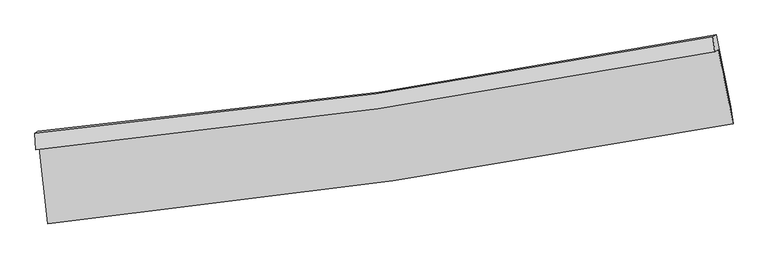
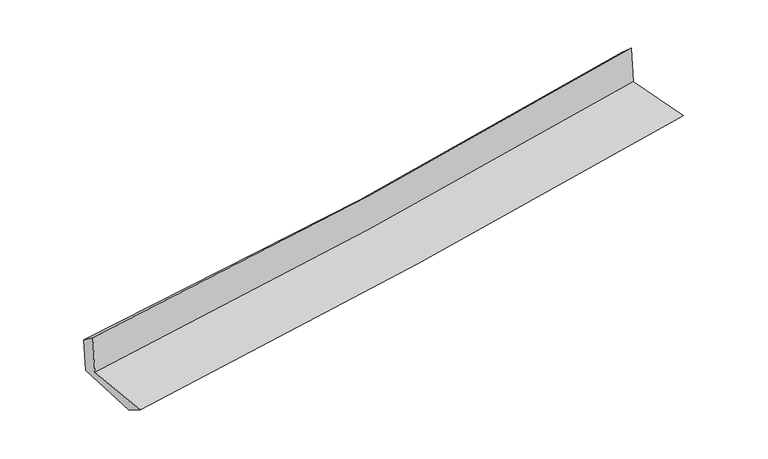
"""IFC4 building model written with IfcOpenShell, lengths in millimetres: proxy geometry."""

import ifcopenshell
import ifcopenshell.guid

model = None  # the IFC model being written
_history = None  # IfcOwnerHistory: only IFC2X3 demands one
_inside = {}  # id of a spatial element -> (the spatial element, [elements in it])
_under = {}  # id of a project, library or spatial element -> (it, [spatial elements below it])
_declared = {}  # id of a project -> (the project, [libraries it declares])
_typed = {}  # id of a type object -> (the type object, [elements of that type])
_made_of = {}  # id of a material, layer set ... -> (it, [elements and type objects made of it])


def new_model(schema):
    """Start an empty IFC model of exactly this schema.

    Asked for "IFC4X3", IfcOpenShell would pick the latest addendum, in which some entities
    have other attributes; the version numbers below select the first issue.
    IFC2X3 requires an IfcOwnerHistory on every rooted entity: one is made here for all.
    """
    global model, _history
    if schema == "IFC4X3":
        model = ifcopenshell.file(schema_version=(4, 3, 0, 0))
    else:
        model = ifcopenshell.file(schema=schema)
    _inside.clear()
    _under.clear()
    _declared.clear()
    _typed.clear()
    _made_of.clear()
    _history = None
    if model.schema == "IFC2X3":
        org = make("IfcOrganization", Name="unknown")
        user = make(
            "IfcPersonAndOrganization",
            ThePerson=make("IfcPerson", FamilyName="unknown"),
            TheOrganization=org,
        )
        app = make(
            "IfcApplication",
            ApplicationDeveloper=org,
            Version="unknown",
            ApplicationFullName="unknown",
            ApplicationIdentifier="unknown",
        )
        _history = make(
            "IfcOwnerHistory",
            OwningUser=user,
            OwningApplication=app,
            ChangeAction="ADDED",
            CreationDate=0,
        )
    return model


def make(cls, **values):
    """One entity of the class cls with the attributes given. An attribute that is None is left unset."""
    return model.create_entity(
        cls, **{name: value for name, value in values.items() if value is not None}
    )


def rooted(cls, **values):
    """An entity with a GlobalId (a new one), such as an element, a storey or a relation."""
    return make(cls, GlobalId=ifcopenshell.guid.new(), OwnerHistory=_history, **values)


def si_unit(unit_type, name, prefix=None):
    """IfcSIUnit, for example si_unit("LENGTHUNIT", "METRE", prefix="MILLI")."""
    return make("IfcSIUnit", UnitType=unit_type, Prefix=prefix, Name=name)


def assignment(units):
    """IfcUnitAssignment: the units of a project."""
    return None if units is None else make("IfcUnitAssignment", Units=units)


def point(xyz):
    """IfcCartesianPoint."""
    return None if xyz is None else make("IfcCartesianPoint", Coordinates=xyz)


def direction(xyz):
    """IfcDirection."""
    return None if xyz is None else make("IfcDirection", DirectionRatios=xyz)


def frame(location, z_axis=None, x_axis=None):
    """IfcAxis2Placement3D, a coordinate frame: its origin and axes. An axis left out is left unset."""
    return make(
        "IfcAxis2Placement3D",
        Location=point(location),
        Axis=direction(z_axis),
        RefDirection=direction(x_axis),
    )


def origin():
    """The frame at (0, 0, 0) with its axes left unset."""
    return frame((0.0, 0.0, 0.0))


def place(relative_to, where):
    """IfcLocalPlacement: puts the frame where relative to a parent placement (None: the world)."""
    return make(
        "IfcLocalPlacement", PlacementRelTo=relative_to, RelativePlacement=where
    )


def context(
    kind, dimensions, precision=None, world=None, true_north=None, identifier=None
):
    """IfcGeometricRepresentationContext, for example the 3D "Model" context."""
    return make(
        "IfcGeometricRepresentationContext",
        ContextIdentifier=identifier,
        ContextType=kind,
        CoordinateSpaceDimension=dimensions,
        Precision=precision,
        WorldCoordinateSystem=world,
        TrueNorth=true_north,
    )


def project(units=None, contexts=None):
    """IfcProject with its units and contexts."""
    return rooted(
        "IfcProject",
        Name="project",
        RepresentationContexts=contexts,
        UnitsInContext=assignment(units),
    )


def spatial(cls, under=None, at=None, **own):
    """A site, building, storey or space (cls), placed at a placement, below another one or the project."""
    s = rooted(cls, ObjectPlacement=at, **own)
    if under is not None:
        _under.setdefault(under.id(), (under, []))[1].append(s)
    return s


def shape(context_of_items, identifier, shape_type, items):
    """IfcShapeRepresentation: the items that make up one representation, for example the "Body"."""
    return make(
        "IfcShapeRepresentation",
        ContextOfItems=context_of_items,
        RepresentationIdentifier=identifier,
        RepresentationType=shape_type,
        Items=items,
    )


def source(mapping_origin, context_of_items, identifier, shape_type, items):
    """IfcRepresentationMap: a shape defined once, which mapped items show again and again."""
    return make(
        "IfcRepresentationMap",
        MappingOrigin=mapping_origin,
        MappedRepresentation=shape(context_of_items, identifier, shape_type, items),
    )


def transform(
    local_origin,
    x_axis=None,
    y_axis=None,
    z_axis=None,
    scale=None,
    scale2=None,
    scale3=None,
    uniform=True,
):
    """IfcCartesianTransformationOperator3D, or its non-uniform kind. x_axis, y_axis, z_axis: its Axis1, 2, 3."""
    if uniform:
        return make(
            "IfcCartesianTransformationOperator3D",
            Axis1=direction(x_axis),
            Axis2=direction(y_axis),
            LocalOrigin=point(local_origin),
            Scale=scale,
            Axis3=direction(z_axis),
        )
    return make(
        "IfcCartesianTransformationOperator3DnonUniform",
        Axis1=direction(x_axis),
        Axis2=direction(y_axis),
        LocalOrigin=point(local_origin),
        Scale=scale,
        Axis3=direction(z_axis),
        Scale2=scale2,
        Scale3=scale3,
    )


def mapped(mapping_source, mapping_target):
    """IfcMappedItem: shows the shape of a source again, moved by a transform."""
    return make(
        "IfcMappedItem", MappingSource=mapping_source, MappingTarget=mapping_target
    )


def made_of(thing, what):
    """Note that an element or type object is made of a material, layer set ...; save() writes the relation."""
    if what is not None:
        _made_of.setdefault(what.id(), (what, []))[1].append(thing)
    return thing


def element(
    cls,
    number,
    at=None,
    inside=None,
    cuts=None,
    type_object=None,
    material=None,
    context=None,
    identifier="Body",
    shape_type=None,
    held_by="IfcProductDefinitionShape",
    body=None,
    shapes=None,
    **own,
):
    """One element of the class cls, such as IfcWall. Its Tag is "e" and its number.

    at: its placement. inside: the storey or other place that contains it. cuts: it is an
    opening in that element (IfcRelVoidsElement). A single representation is given by context,
    identifier, shape_type and body (its items); several are given by shapes. held_by: the class
    of the entity that holds the representations. save() writes the other relations.
    """
    e = rooted(cls, Tag="e%d" % number, ObjectPlacement=at, **own)
    if body is not None:
        shapes = [shape(context, identifier, shape_type, body)]
    if shapes is not None:
        e.Representation = make(held_by, Representations=shapes)
    if inside is not None:
        _inside.setdefault(inside.id(), (inside, []))[1].append(e)
    if cuts is not None:
        rooted(
            "IfcRelVoidsElement", RelatingBuildingElement=cuts, RelatedOpeningElement=e
        )
    if type_object is not None:
        _typed.setdefault(type_object.id(), (type_object, []))[1].append(e)
    return made_of(e, material)


def aggregate(whole, parts):
    """IfcRelAggregates: a whole, such as a stair, and the parts it consists of."""
    return rooted("IfcRelAggregates", RelatingObject=whole, RelatedObjects=parts)


def save(model, path):
    """Write the relations noted so far, then the file.

    IfcRelAggregates (storeys below a building ...), IfcRelContainedInSpatialStructure (elements
    in a storey), IfcRelDefinesByType, IfcRelAssociatesMaterial and IfcRelDeclares: one each for
    every whole, place, type object, material and project.
    """
    for whole, parts in _under.values():
        aggregate(whole, parts)
    for where, things in _inside.values():
        rooted(
            "IfcRelContainedInSpatialStructure",
            RelatedElements=things,
            RelatingStructure=where,
        )
    for kind, things in _typed.values():
        rooted("IfcRelDefinesByType", RelatedObjects=things, RelatingType=kind)
    for what, things in _made_of.values():
        rooted("IfcRelAssociatesMaterial", RelatedObjects=things, RelatingMaterial=what)
    for by, libraries in _declared.values():
        rooted("IfcRelDeclares", RelatingContext=by, RelatedDefinitions=libraries)
    model.write(path)


def plane_surface(at):
    """IfcPlane: the flat surface through the origin of the frame at, square to its z axis."""
    return make("IfcPlane", Position=at)


def spline_curve(degree, points, multiplicities, knots, weights=None):
    """IfcBSplineCurveWithKnots; with weights, IfcRationalBSplineCurveWithKnots."""
    own = dict(
        Degree=degree,
        ControlPointsList=[point(p) for p in points],
        CurveForm="UNSPECIFIED",
        ClosedCurve=False,
        SelfIntersect=False,
        KnotMultiplicities=multiplicities,
        Knots=knots,
        KnotSpec="UNSPECIFIED",
    )
    if weights is None:
        return make("IfcBSplineCurveWithKnots", **own)
    return make("IfcRationalBSplineCurveWithKnots", WeightsData=weights, **own)


def spline_surface(u_degree, v_degree, points, u_multiplicities, v_multiplicities, u_knots, v_knots, weights=None):
    """IfcBSplineSurfaceWithKnots; with weights, IfcRationalBSplineSurfaceWithKnots. points: one row for each step in u."""
    own = dict(
        UDegree=u_degree,
        VDegree=v_degree,
        ControlPointsList=[[point(p) for p in row] for row in points],
        SurfaceForm="UNSPECIFIED",
        UClosed=False,
        VClosed=False,
        SelfIntersect=False,
        UMultiplicities=u_multiplicities,
        VMultiplicities=v_multiplicities,
        UKnots=u_knots,
        VKnots=v_knots,
        KnotSpec="UNSPECIFIED",
    )
    if weights is None:
        return make("IfcBSplineSurfaceWithKnots", **own)
    return make("IfcRationalBSplineSurfaceWithKnots", WeightsData=weights, **own)


def advanced_brep(points, edges, surfaces, faces):
    """IfcAdvancedBrep: a solid bounded by faces that lie on surfaces and meet in shared edges.

    An edge is (start, end): straight between two places in points (the first is 0);
    or (start, end, curve); or (start, end, curve, False) where it runs against its curve.
    A face is (place in surfaces, loops), or (place, loops, False) where it looks against
    its surface's normal. A loop lists edges by number (the first is 1), with a minus sign
    where the edge is run from its end to its start. The first loop is the outer one.
    """
    corners = [point(p) for p in points]
    vertices = [make("IfcVertexPoint", VertexGeometry=c) for c in corners]
    made = []
    for start, end, *more in edges:
        made.append(
            make(
                "IfcEdgeCurve",
                EdgeStart=vertices[start],
                EdgeEnd=vertices[end],
                EdgeGeometry=more[0] if more else make("IfcPolyline", Points=[corners[start], corners[end]]),
                SameSense=more[1] if len(more) > 1 else True,
            )
        )
    hull = []
    for where, loops, *sense in faces:
        bounds = []
        for j, loop in enumerate(loops):
            ring = [make("IfcOrientedEdge", EdgeElement=made[abs(k) - 1], Orientation=k > 0) for k in loop]
            bounds.append(
                make(
                    "IfcFaceOuterBound" if j == 0 else "IfcFaceBound",
                    Bound=make("IfcEdgeLoop", EdgeList=ring),
                    Orientation=True,
                )
            )
        hull.append(make("IfcAdvancedFace", Bounds=bounds, FaceSurface=surfaces[where], SameSense=sense[0] if sense else True))
    return make("IfcAdvancedBrep", Outer=make("IfcClosedShell", CfsFaces=hull))


def generic_models_295ea654(model_context):
    return source(origin(), model_context, "Body", "AdvancedBrep", [
        advanced_brep(
        [(-3056.1928521, -1906.7184782, 1629.958149), (-2978.8871742, -2584.5162388, 1604.2474715), (3124.4613983, -1693.6730757, 2133.6986343), (2990.5262655, -1034.9305854, 2154.2735584), (-3085.9830283, -1925.173807, 2026.9150457), (2961.9458765, -1052.6364382, 2535.1099267), (-3093.6844966, -1776.9996597, 1917.8530087), (2945.4293207, -920.7312522, 2417.1304224), (-3067.2352637, -1760.6140807, 1565.4144963), (2973.6081454, -903.2741727, 2041.6449364), (-2990.11137, -2402.1608389, 1491.7968281), (3105.0013295, -1543.4527785, 2007.043298)],
        [
            (0, 1),
            (1, 2, spline_curve(3, [(-2978.8871742, -2584.5162388, 1604.2474715), (-1952.339843979, -2479.438083263, 1704.517912784), (-928.703437589, -2352.329138023, 1798.906485983), (1105.706063094, -2055.078506937, 1975.309334917), (2116.519181062, -1885.239731412, 2057.404482529), (3124.4613983, -1693.6730757, 2133.6986343)], [4, 2, 4], [0.0, 10.145304219697447, 20.22062117395508])),
            (2, 3),
            (3, 0, spline_curve(3, [(2990.5262655, -1034.9305854, 2154.2735584), (1992.358626745, -1229.597250904, 2078.568827448), (991.136224243, -1399.414430577, 1997.194432521), (-1024.394228101, -1690.356823016, 1822.501670502), (-2038.744864848, -1811.135607772, 1729.104262307), (-3056.1928521, -1906.7184782, 1629.958149)], [4, 2, 4], [0.0, 10.075316954257634, 20.22062117395508])),
            (4, 0),
            (3, 5),
            (5, 4, spline_curve(3, [(2961.9458765, -1052.6364382, 2535.1099267), (1964.101948226, -1247.102561765, 2455.091727604), (962.941841909, -1416.881148042, 2372.887227618), (-1052.988228919, -1708.07110863, 2203.519413222), (-2067.804423912, -1829.138311758, 2116.325619439), (-3085.9830283, -1925.173807, 2026.9150457)], [4, 2, 4], [0.0, 10.027371098912978, 20.124396411777667])),
            (6, 4),
            (5, 7),
            (7, 6, spline_curve(3, [(2945.4293207, -920.7312522, 2417.1304224), (1949.818389557, -1117.167424999, 2334.283826494), (950.508160577, -1286.588067402, 2251.398220339), (-1062.47820649, -1572.387495051, 2084.972959416), (-2076.205916726, -1688.389655424, 2001.43276108), (-3093.6844966, -1776.9996597, 1917.8530087)], [4, 2, 4], [0.0, 10.017989134656716, 20.105567312310647])),
            (8, 6),
            (7, 9),
            (9, 8, spline_curve(3, [(2973.6081454, -903.2741727, 2041.6449364), (1977.28919613, -1100.14896991, 1968.232746421), (977.480596353, -1269.878358528, 1891.987979604), (-1036.08522386, -1556.036763611, 1733.283988678), (-2049.891093617, -1672.087344606, 1650.785275342), (-3067.2352637, -1760.6140807, 1565.4144963)], [4, 2, 4], [0.0, 10.00880018901484, 20.087125590858506])),
            (10, 8),
            (9, 11),
            (11, 10, spline_curve(3, [(3105.0013295, -1543.4527785, 2007.043298), (2100.551246576, -1749.554092675, 1938.203375928), (1092.171819074, -1924.025931616, 1861.023787923), (-939.477634741, -2210.702900768, 1689.39122822), (-1962.802440404, -2322.467081644, 1594.821992987), (-2990.11137, -2402.1608389, 1491.7968281)], [4, 2, 4], [0.0, 10.056155316587725, 20.182164794056078])),
            (1, 10),
            (11, 2),
        ],
        [
            spline_surface(3, 3, [[(-3056.1928521, -1906.7184782, 1629.958149), (-2038.744864816, -1811.135607734, 1729.104262405), (-1024.394228188, -1690.356823135, 1822.501670539), (991.13622433, -1399.414430459, 1997.194432485), (1992.358626912, -1229.597250809, 2078.568827498), (2990.5262655, -1034.9305854, 2154.2735584)], [(-3030.424292798, -2132.651065056, 1621.387923168), (-2009.943191155, -2033.903099542, 1720.908812481), (-992.49729801, -1911.014261401, 1814.636609052), (1029.326170581, -1617.969122644, 1989.899399962), (2033.745478301, -1448.144744279, 2071.514045801), (3035.171309769, -1254.511415487, 2147.415250359)], [(-3004.655733502, -2358.583651944, 1612.817697332), (-1981.141517499, -2256.670591382, 1712.713362552), (-960.600367793, -2131.671699674, 1806.771547519), (1067.51611687, -1836.523814836, 1982.604367392), (2075.132329684, -1666.692237788, 2064.459264125), (3079.816354031, -1474.092245613, 2140.556942341)], [(-2978.8871742, -2584.5162388, 1604.2474715), (-1952.339843839, -2479.438083189, 1704.517912627), (-928.703437615, -2352.32913794, 1798.906486032), (1105.706063121, -2055.07850702, 1975.309334868), (2116.519181072, -1885.239731258, 2057.404482427), (3124.4613983, -1693.6730757, 2133.6986343)]], [4, 4], [4, 2, 4], [0.0, 2.19013293841204], [0.0, 10.145304219697447, 20.22062117395508]),
            spline_surface(3, 3, [[(-3085.9830283, -1925.173807, 2026.9150457), (-2067.804424057, -1829.138311613, 2116.325619508), (-1052.988228773, -1708.071108465, 2203.519413266), (962.941841764, -1416.881148206, 2372.887227575), (1964.101948076, -1247.102561744, 2455.09172746), (2961.9458765, -1052.6364382, 2535.1099267)], [(-3076.052969548, -1919.022030738, 1894.596080137), (-2058.117904291, -1823.137410325, 1987.25183381), (-1043.456895265, -1702.166346702, 2076.513499023), (972.339969267, -1411.058908971, 2247.656295878), (1973.520841033, -1241.267458091, 2329.584094125), (2971.472672845, -1046.734487258, 2408.164470586)], [(-3066.122910852, -1912.870254462, 1762.277114563), (-2048.431384582, -1817.136509022, 1858.178048102), (-1033.925561697, -1696.261584898, 1949.507584782), (981.738096828, -1405.236669694, 2122.425364182), (1982.939733955, -1235.432354463, 2204.076460833), (2980.999469155, -1040.832536342, 2281.219014514)], [(-3056.1928521, -1906.7184782, 1629.958149), (-2038.744864816, -1811.135607734, 1729.104262405), (-1024.394228188, -1690.356823135, 1822.501670539), (991.13622433, -1399.414430459, 1997.194432485), (1992.358626912, -1229.597250809, 2078.568827498), (2990.5262655, -1034.9305854, 2154.2735584)]], [4, 4], [4, 2, 4], [0.0, 1.2462118959725947], [0.0, 10.09702531286469, 20.124396411777667]),
            spline_surface(3, 3, [[(-3093.6844966, -1776.9996597, 1917.8530087), (-2076.20591656, -1688.389655288, 2001.432761093), (-1062.478206428, -1572.38749518, 2084.972959512), (950.508160515, -1286.588067273, 2251.398220244), (1949.818389466, -1117.167424937, 2334.283826376), (2945.4293207, -920.7312522, 2417.1304224)], [(-3091.117340505, -1826.391042122, 1954.207021031), (-2073.405419065, -1735.305874052, 2039.730380563), (-1059.314880541, -1617.615366284, 2124.488444075), (954.652720934, -1330.019094259, 2291.894555999), (1954.579575658, -1160.479137228, 2374.553126739), (2950.934839289, -964.699647555, 2456.456923835)], [(-3088.550184395, -1875.782424578, 1990.561033369), (-2070.604921553, -1782.222092849, 2078.028000038), (-1056.15155466, -1662.843237361, 2164.003928703), (958.797281346, -1373.450121219, 2332.39089182), (1959.340761884, -1203.790849454, 2414.822427097), (2956.440357911, -1008.668042845, 2495.783425265)], [(-3085.9830283, -1925.173807, 2026.9150457), (-2067.804424057, -1829.138311613, 2116.325619508), (-1052.988228773, -1708.071108465, 2203.519413266), (962.941841764, -1416.881148206, 2372.887227575), (1964.101948076, -1247.102561744, 2455.09172746), (2961.9458765, -1052.6364382, 2535.1099267)]], [4, 4], [4, 2, 4], [0.0, 0.5888409989819672], [0.0, 10.087578177653931, 20.105567312310647]),
            spline_surface(3, 3, [[(-3067.2352637, -1760.6140807, 1565.4144963), (-2049.891093729, -1672.087344745, 1650.785275489), (-1036.085223883, -1556.036763748, 1733.28398871), (977.480596377, -1269.878358392, 1891.987979573), (1977.289196189, -1100.148970051, 1968.232746426), (2973.6081454, -903.2741727, 2041.6449364)], [(-3076.051674659, -1766.075940393, 1682.894000424), (-2058.662701332, -1677.521448286, 1767.667770681), (-1044.882884717, -1561.487007541, 1850.513645652), (968.489784437, -1275.448261334, 2011.791393138), (1968.132260609, -1105.821788343, 2090.249773095), (2964.215203828, -909.093199196, 2166.806765085)], [(-3084.868085641, -1771.537800007, 1800.373504576), (-2067.434308957, -1682.955551747, 1884.550265901), (-1053.680545594, -1566.937251388, 1967.74330257), (959.498972455, -1281.01816433, 2131.594806679), (1958.975325046, -1111.494606646, 2212.266799707), (2954.822262272, -914.912225704, 2291.968593715)], [(-3093.6844966, -1776.9996597, 1917.8530087), (-2076.20591656, -1688.389655288, 2001.432761093), (-1062.478206428, -1572.38749518, 2084.972959512), (950.508160515, -1286.588067273, 2251.398220244), (1949.818389466, -1117.167424937, 2334.283826376), (2945.4293207, -920.7312522, 2417.1304224)]], [4, 4], [4, 2, 4], [0.0, 1.1709503661799703], [0.0, 10.078325401843665, 20.087125590858506]),
            spline_surface(3, 3, [[(-2990.11137, -2402.1608389, 1491.7968281), (-1962.802440541, -2322.467081729, 1594.821993069), (-939.477634777, -2210.702900604, 1689.391228366), (1092.171819109, -1924.025931779, 1861.023787778), (2100.551246546, -1749.554092746, 1938.20337584), (3105.0013295, -1543.4527785, 2007.043298)], [(-3015.819334589, -2188.311919498, 1516.336050834), (-1991.831991627, -2105.673836066, 1613.476420544), (-971.680164476, -1992.480855002, 1704.022148487), (1053.941411535, -1705.976740667, 1871.345185049), (2059.463896443, -1533.085718502, 1948.213166046), (3061.203601482, -1330.059909888, 2018.577177477)], [(-3041.527299111, -1974.463000102, 1540.875273566), (-2020.861542644, -1888.880590409, 1632.130848015), (-1003.882694184, -1774.258809349, 1718.653068589), (1015.711003951, -1487.927549504, 1881.666582302), (2018.376546293, -1316.617344295, 1958.22295622), (3017.405873418, -1116.667041312, 2030.111056923)], [(-3067.2352637, -1760.6140807, 1565.4144963), (-2049.891093729, -1672.087344745, 1650.785275489), (-1036.085223883, -1556.036763748, 1733.28398871), (977.480596377, -1269.878358392, 1891.987979573), (1977.289196189, -1100.148970051, 1968.232746426), (2973.6081454, -903.2741727, 2041.6449364)]], [4, 4], [4, 2, 4], [0.0, 2.178248657678038], [0.0, 10.126009477468353, 20.182164794056078]),
            spline_surface(3, 3, [[(-2978.8871742, -2584.5162388, 1604.2474715), (-1952.339843839, -2479.438083189, 1704.517912627), (-928.703437615, -2352.32913794, 1798.906486032), (1105.706063121, -2055.07850702, 1975.309334868), (2116.519181072, -1885.239731258, 2057.404482427), (3124.4613983, -1693.6730757, 2133.6986343)], [(-2982.6285728, -2523.731105492, 1566.763923705), (-1955.827376073, -2427.114416028, 1667.952606113), (-932.294836656, -2305.120392142, 1762.401400136), (1101.194648463, -2011.394315254, 1937.214152497), (2111.196536218, -1840.011185103, 2017.670780222), (3117.974708687, -1643.599643316, 2091.480188857)], [(-2986.3699714, -2462.945972208, 1529.280375895), (-1959.314908307, -2374.79074889, 1631.387299583), (-935.886235736, -2257.911646402, 1725.896314262), (1096.683233766, -1967.710123546, 1899.118970149), (2105.873891401, -1794.782638901, 1977.937078045), (3111.488019113, -1593.526210884, 2049.261743443)], [(-2990.11137, -2402.1608389, 1491.7968281), (-1962.802440541, -2322.467081729, 1594.821993069), (-939.477634777, -2210.702900604, 1689.391228366), (1092.171819109, -1924.025931779, 1861.023787778), (2100.551246546, -1749.554092746, 1938.20337584), (3105.0013295, -1543.4527785, 2007.043298)]], [4, 4], [4, 2, 4], [0.0, 0.5801062291367501], [0.0, 10.183456138174654, 20.296661820335046]),
            plane_surface(frame((3016.8287227, -1191.4497171, 2214.816796), z_axis=(0.9771136184231032, 0.19609108888240753, 0.08244550656659386), x_axis=(-0.07475563790612075, -0.046311907126139654, 0.9961258965911833))),
            plane_surface(frame((-3045.3490308, -2059.3638505, 1706.0308332), z_axis=(-0.9907514792935241, -0.10998501506455992, -0.0794657331114634), x_axis=(-0.11323913139434776, 0.9928537171807281, 0.037661590532855276))),
        ],
        [
            (0, [[1, 2, 3, 4]]),
            (1, [[5, -4, 6, 7]]),
            (2, [[8, -7, 9, 10]]),
            (3, [[11, -10, 12, 13]]),
            (4, [[14, -13, 15, 16]]),
            (5, [[17, -16, 18, -2]]),
            (6, [[-12, -9, -6, -3, -18, -15]]),
            (7, [[-1, -5, -8, -11, -14, -17]]),
        ],
    ),
    ])


if __name__ == "__main__":
    model = new_model("IFC4")
    model_context = context("Model", 3, world=origin())
    ifc_project = project(units=[si_unit("LENGTHUNIT", "METRE", prefix="MILLI")], contexts=[model_context])
    site = spatial("IfcSite", under=ifc_project)
    building = spatial("IfcBuilding", under=site)
    placement = place(None, origin())
    generic_models_shape = generic_models_295ea654(model_context)
    element("IfcBuildingElementProxy", 1, Name="Generic Models", at=placement, inside=building, context=model_context, shape_type="MappedRepresentation", body=[
        mapped(generic_models_shape, transform((0.0, 0.0, 0.0), x_axis=(1.0, 0.0, 0.0), y_axis=(0.0, 1.0, 0.0), z_axis=(0.0, 0.0, 1.0))),
    ])
    save(model, "model.ifc")
